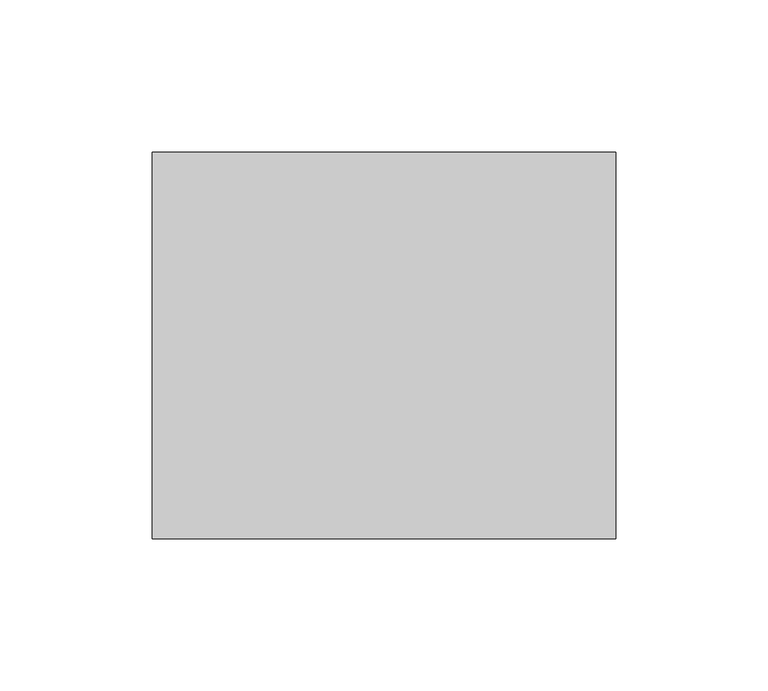
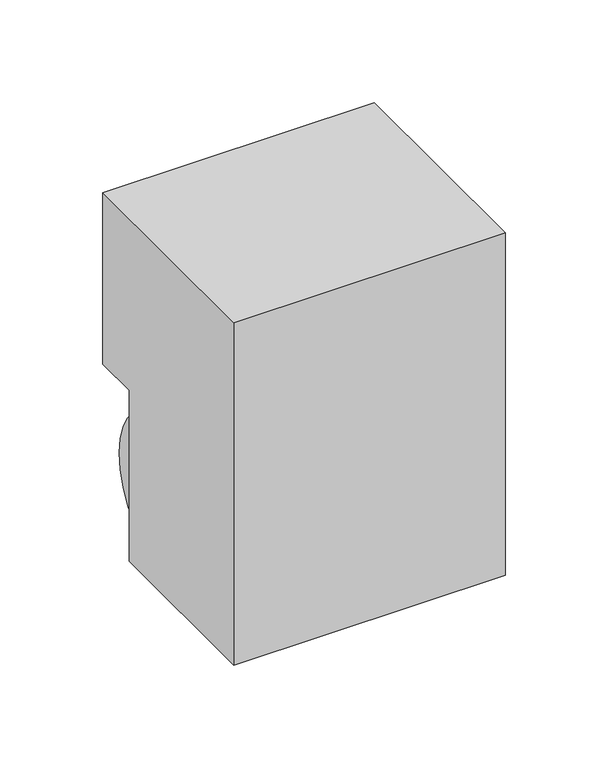
"""IFC4 building model written with IfcOpenShell, lengths in millimetres: flow terminal geometry."""

from ifc_helpers import new_model, si_unit, point, frame, frame_2d, origin, place, context, project, spatial, polyline, circle_curve, trimmed, segment, composite_curve, outline, extrude, source, transform, mapped, element, save


def flow_terminal_b79a7764(model_context):
    return source(origin(), model_context, "Body", "SweptSolid", [
        extrude(outline(composite_curve([segment(trimmed(circle_curve(frame_2d((76.2, 431.8)), 44.45), [point((120.65, 431.8))], [point((31.75, 431.8))], False, "CARTESIAN"), True, "CONTINUOUS"), segment(trimmed(circle_curve(frame_2d((76.2, 431.8)), 44.45), [point((31.75, 431.8))], [point((120.65, 431.8))], False, "CARTESIAN"), True, "CONTINUOUS")], self_intersect=False)), frame((-70.7703031, 0.0, 0.0), z_axis=(1.0, 0.0, 0.0), x_axis=(0.0, 1.0, 0.0)), (0.0, 0.0, 1.0), 141.5948727),
        extrude(outline(polyline([(0.0, 584.2), (127.0, 584.2), (127.0, 482.6), (101.6, 482.6), (101.6, 381.0), (0.0, 381.0), (0.0, 584.2)])), frame((-76.2, 0.0, 0.0), z_axis=(1.0, 0.0, 0.0), x_axis=(0.0, 1.0, 0.0)), (0.0, 0.0, 1.0), 152.4),
    ])


if __name__ == "__main__":
    model = new_model("IFC4")
    model_context = context("Model", 3, world=origin())
    ifc_project = project(units=[si_unit("LENGTHUNIT", "METRE", prefix="MILLI")], contexts=[model_context])
    site = spatial("IfcSite", under=ifc_project)
    building = spatial("IfcBuilding", under=site)
    placement = place(None, origin())
    flow_terminal_shape = flow_terminal_b79a7764(model_context)
    element("IfcFlowTerminal", 1, at=placement, inside=building, context=model_context, shape_type="MappedRepresentation", body=[
        mapped(flow_terminal_shape, transform((0.0, 0.0, 0.0), x_axis=(1.0, 0.0, 0.0), y_axis=(0.0, 1.0, 0.0), z_axis=(0.0, 0.0, 1.0))),
    ])
    save(model, "model.ifc")
